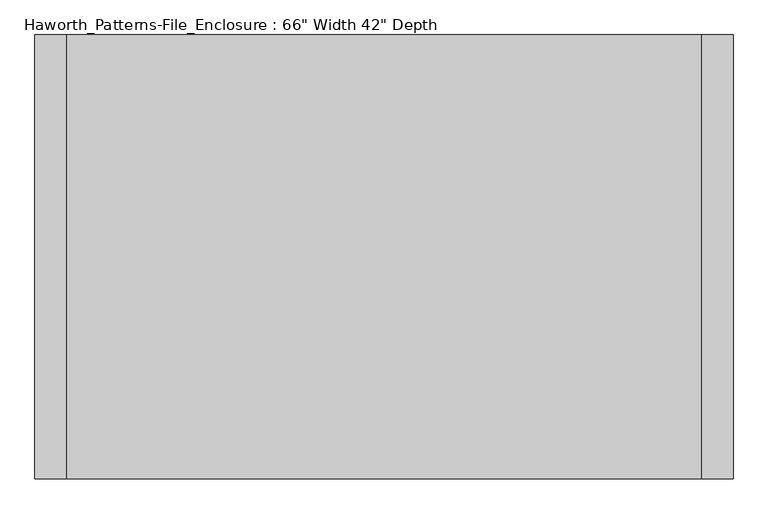
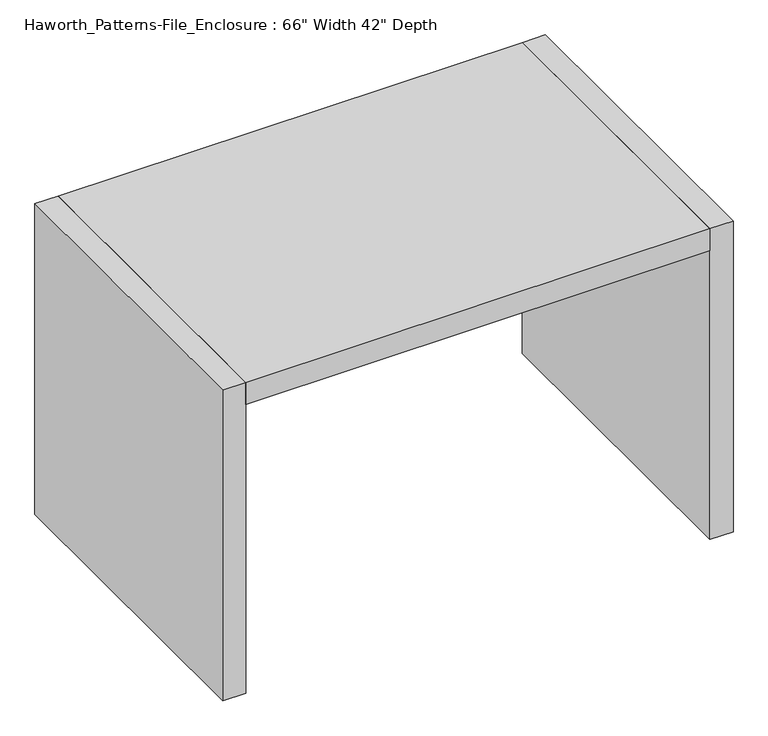
"""IFC4 building model written with IfcOpenShell, lengths in millimetres: furniture geometry."""

import ifcopenshell
import ifcopenshell.guid

model = None  # the IFC model being written
_history = None  # IfcOwnerHistory: only IFC2X3 demands one
_inside = {}  # id of a spatial element -> (the spatial element, [elements in it])
_under = {}  # id of a project, library or spatial element -> (it, [spatial elements below it])
_declared = {}  # id of a project -> (the project, [libraries it declares])
_typed = {}  # id of a type object -> (the type object, [elements of that type])
_made_of = {}  # id of a material, layer set ... -> (it, [elements and type objects made of it])


def new_model(schema):
    """Start an empty IFC model of exactly this schema.

    Asked for "IFC4X3", IfcOpenShell would pick the latest addendum, in which some entities
    have other attributes; the version numbers below select the first issue.
    IFC2X3 requires an IfcOwnerHistory on every rooted entity: one is made here for all.
    """
    global model, _history
    if schema == "IFC4X3":
        model = ifcopenshell.file(schema_version=(4, 3, 0, 0))
    else:
        model = ifcopenshell.file(schema=schema)
    _inside.clear()
    _under.clear()
    _declared.clear()
    _typed.clear()
    _made_of.clear()
    _history = None
    if model.schema == "IFC2X3":
        org = make("IfcOrganization", Name="unknown")
        user = make(
            "IfcPersonAndOrganization",
            ThePerson=make("IfcPerson", FamilyName="unknown"),
            TheOrganization=org,
        )
        app = make(
            "IfcApplication",
            ApplicationDeveloper=org,
            Version="unknown",
            ApplicationFullName="unknown",
            ApplicationIdentifier="unknown",
        )
        _history = make(
            "IfcOwnerHistory",
            OwningUser=user,
            OwningApplication=app,
            ChangeAction="ADDED",
            CreationDate=0,
        )
    return model


def make(cls, **values):
    """One entity of the class cls with the attributes given. An attribute that is None is left unset."""
    return model.create_entity(
        cls, **{name: value for name, value in values.items() if value is not None}
    )


def rooted(cls, **values):
    """An entity with a GlobalId (a new one), such as an element, a storey or a relation."""
    return make(cls, GlobalId=ifcopenshell.guid.new(), OwnerHistory=_history, **values)


def si_unit(unit_type, name, prefix=None):
    """IfcSIUnit, for example si_unit("LENGTHUNIT", "METRE", prefix="MILLI")."""
    return make("IfcSIUnit", UnitType=unit_type, Prefix=prefix, Name=name)


def assignment(units):
    """IfcUnitAssignment: the units of a project."""
    return None if units is None else make("IfcUnitAssignment", Units=units)


def point(xyz):
    """IfcCartesianPoint."""
    return None if xyz is None else make("IfcCartesianPoint", Coordinates=xyz)


def direction(xyz):
    """IfcDirection."""
    return None if xyz is None else make("IfcDirection", DirectionRatios=xyz)


def frame(location, z_axis=None, x_axis=None):
    """IfcAxis2Placement3D, a coordinate frame: its origin and axes. An axis left out is left unset."""
    return make(
        "IfcAxis2Placement3D",
        Location=point(location),
        Axis=direction(z_axis),
        RefDirection=direction(x_axis),
    )


def origin():
    """The frame at (0, 0, 0) with its axes left unset."""
    return frame((0.0, 0.0, 0.0))


def origin_with_axes():
    """The frame at (0, 0, 0) with the z axis (0, 0, 1) and the x axis (1, 0, 0) written out."""
    return frame((0.0, 0.0, 0.0), z_axis=(0.0, 0.0, 1.0), x_axis=(1.0, 0.0, 0.0))


def place(relative_to, where):
    """IfcLocalPlacement: puts the frame where relative to a parent placement (None: the world)."""
    return make(
        "IfcLocalPlacement", PlacementRelTo=relative_to, RelativePlacement=where
    )


def context(
    kind, dimensions, precision=None, world=None, true_north=None, identifier=None
):
    """IfcGeometricRepresentationContext, for example the 3D "Model" context."""
    return make(
        "IfcGeometricRepresentationContext",
        ContextIdentifier=identifier,
        ContextType=kind,
        CoordinateSpaceDimension=dimensions,
        Precision=precision,
        WorldCoordinateSystem=world,
        TrueNorth=true_north,
    )


def project(units=None, contexts=None):
    """IfcProject with its units and contexts."""
    return rooted(
        "IfcProject",
        Name="project",
        RepresentationContexts=contexts,
        UnitsInContext=assignment(units),
    )


def spatial(cls, under=None, at=None, **own):
    """A site, building, storey or space (cls), placed at a placement, below another one or the project."""
    s = rooted(cls, ObjectPlacement=at, **own)
    if under is not None:
        _under.setdefault(under.id(), (under, []))[1].append(s)
    return s


def polyline(points):
    """IfcPolyline through the points."""
    return make("IfcPolyline", Points=[point(p) for p in points])


def outline(outer, holes=None, kind="AREA"):
    """IfcArbitraryClosedProfileDef: a profile drawn as a closed curve; with holes, ...WithVoids."""
    if holes is None:
        return make("IfcArbitraryClosedProfileDef", ProfileType=kind, OuterCurve=outer)
    return make(
        "IfcArbitraryProfileDefWithVoids",
        ProfileType=kind,
        OuterCurve=outer,
        InnerCurves=holes,
    )


def extrude(swept, where, along, depth):
    """IfcExtrudedAreaSolid: the profile swept, set in the frame where, extruded along a direction by depth."""
    return make(
        "IfcExtrudedAreaSolid",
        SweptArea=swept,
        Position=where,
        ExtrudedDirection=direction(along),
        Depth=depth,
    )


def shape(context_of_items, identifier, shape_type, items):
    """IfcShapeRepresentation: the items that make up one representation, for example the "Body"."""
    return make(
        "IfcShapeRepresentation",
        ContextOfItems=context_of_items,
        RepresentationIdentifier=identifier,
        RepresentationType=shape_type,
        Items=items,
    )


def source(mapping_origin, context_of_items, identifier, shape_type, items):
    """IfcRepresentationMap: a shape defined once, which mapped items show again and again."""
    return make(
        "IfcRepresentationMap",
        MappingOrigin=mapping_origin,
        MappedRepresentation=shape(context_of_items, identifier, shape_type, items),
    )


def transform(
    local_origin,
    x_axis=None,
    y_axis=None,
    z_axis=None,
    scale=None,
    scale2=None,
    scale3=None,
    uniform=True,
):
    """IfcCartesianTransformationOperator3D, or its non-uniform kind. x_axis, y_axis, z_axis: its Axis1, 2, 3."""
    if uniform:
        return make(
            "IfcCartesianTransformationOperator3D",
            Axis1=direction(x_axis),
            Axis2=direction(y_axis),
            LocalOrigin=point(local_origin),
            Scale=scale,
            Axis3=direction(z_axis),
        )
    return make(
        "IfcCartesianTransformationOperator3DnonUniform",
        Axis1=direction(x_axis),
        Axis2=direction(y_axis),
        LocalOrigin=point(local_origin),
        Scale=scale,
        Axis3=direction(z_axis),
        Scale2=scale2,
        Scale3=scale3,
    )


def mapped(mapping_source, mapping_target):
    """IfcMappedItem: shows the shape of a source again, moved by a transform."""
    return make(
        "IfcMappedItem", MappingSource=mapping_source, MappingTarget=mapping_target
    )


def made_of(thing, what):
    """Note that an element or type object is made of a material, layer set ...; save() writes the relation."""
    if what is not None:
        _made_of.setdefault(what.id(), (what, []))[1].append(thing)
    return thing


def element(
    cls,
    number,
    at=None,
    inside=None,
    cuts=None,
    type_object=None,
    material=None,
    context=None,
    identifier="Body",
    shape_type=None,
    held_by="IfcProductDefinitionShape",
    body=None,
    shapes=None,
    **own,
):
    """One element of the class cls, such as IfcWall. Its Tag is "e" and its number.

    at: its placement. inside: the storey or other place that contains it. cuts: it is an
    opening in that element (IfcRelVoidsElement). A single representation is given by context,
    identifier, shape_type and body (its items); several are given by shapes. held_by: the class
    of the entity that holds the representations. save() writes the other relations.
    """
    e = rooted(cls, Tag="e%d" % number, ObjectPlacement=at, **own)
    if body is not None:
        shapes = [shape(context, identifier, shape_type, body)]
    if shapes is not None:
        e.Representation = make(held_by, Representations=shapes)
    if inside is not None:
        _inside.setdefault(inside.id(), (inside, []))[1].append(e)
    if cuts is not None:
        rooted(
            "IfcRelVoidsElement", RelatingBuildingElement=cuts, RelatedOpeningElement=e
        )
    if type_object is not None:
        _typed.setdefault(type_object.id(), (type_object, []))[1].append(e)
    return made_of(e, material)


def aggregate(whole, parts):
    """IfcRelAggregates: a whole, such as a stair, and the parts it consists of."""
    return rooted("IfcRelAggregates", RelatingObject=whole, RelatedObjects=parts)


def save(model, path):
    """Write the relations noted so far, then the file.

    IfcRelAggregates (storeys below a building ...), IfcRelContainedInSpatialStructure (elements
    in a storey), IfcRelDefinesByType, IfcRelAssociatesMaterial and IfcRelDeclares: one each for
    every whole, place, type object, material and project.
    """
    for whole, parts in _under.values():
        aggregate(whole, parts)
    for where, things in _inside.values():
        rooted(
            "IfcRelContainedInSpatialStructure",
            RelatedElements=things,
            RelatingStructure=where,
        )
    for kind, things in _typed.values():
        rooted("IfcRelDefinesByType", RelatedObjects=things, RelatingType=kind)
    for what, things in _made_of.values():
        rooted("IfcRelAssociatesMaterial", RelatedObjects=things, RelatingMaterial=what)
    for by, libraries in _declared.values():
        rooted("IfcRelDeclares", RelatingContext=by, RelatedDefinitions=libraries)
    model.write(path)


def furniture_332c712d(model_context):
    return source(origin(), model_context, "Body", "SweptSolid", [
        extrude(outline(polyline([(762.0, 0.0), (762.0, -1066.8), (-762.0, -1066.8), (-762.0, 0.0), (762.0, 0.0)])), frame((0.0, 0.0, 1003.3), z_axis=(0.0, 0.0, 1.0), x_axis=(1.0, 0.0, 0.0)), (0.0, 0.0, 1.0), 76.2),
        extrude(outline(polyline([(762.0, 0.0), (838.2, 0.0), (838.2, -1066.8), (762.0, -1066.8), (762.0, 0.0)])), origin_with_axes(), (0.0, 0.0, 1.0), 1079.5),
        extrude(outline(polyline([(-762.0, 0.0), (-762.0, -1066.8), (-838.2, -1066.8), (-838.2, 0.0), (-762.0, 0.0)])), origin_with_axes(), (0.0, 0.0, 1.0), 1079.5),
    ])


if __name__ == "__main__":
    model = new_model("IFC4")
    model_context = context("Model", 3, world=origin())
    ifc_project = project(units=[si_unit("LENGTHUNIT", "METRE", prefix="MILLI")], contexts=[model_context])
    site = spatial("IfcSite", under=ifc_project)
    building = spatial("IfcBuilding", under=site)
    placement = place(None, origin())
    furniture_shape = furniture_332c712d(model_context)
    element("IfcFurniture", 1, ObjectType="Haworth_Patterns-File_Enclosure : 66\" Width 42\" Depth", at=placement, inside=building, context=model_context, shape_type="MappedRepresentation", body=[
        mapped(furniture_shape, transform((0.0, 0.0, 0.0), x_axis=(1.0, 0.0, 0.0), y_axis=(0.0, 1.0, 0.0), z_axis=(0.0, 0.0, 1.0))),
    ])
    save(model, "model.ifc")
